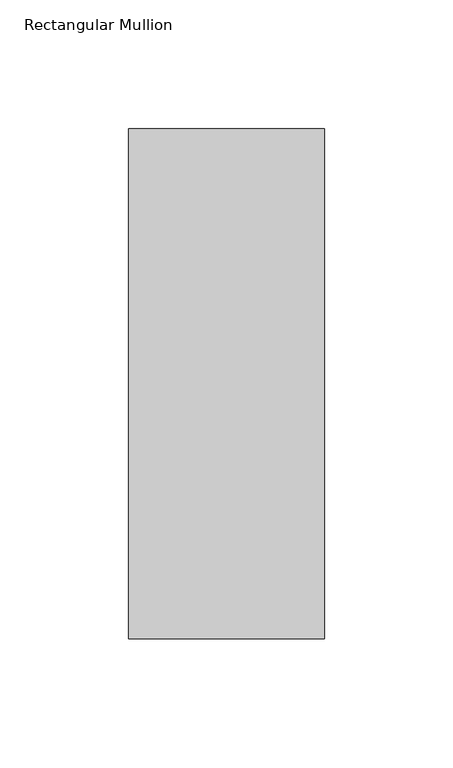
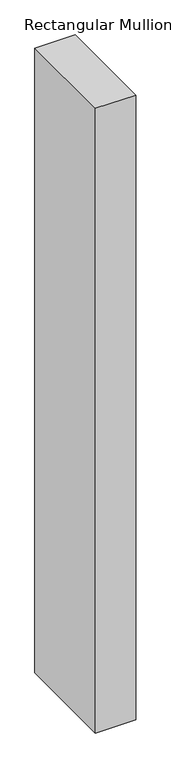
"""IFC4 building model written with IfcOpenShell, lengths in millimetres: member geometry, Rectangular Mullion."""

import ifcopenshell
import ifcopenshell.guid

model = None  # the IFC model being written
_history = None  # IfcOwnerHistory: only IFC2X3 demands one
_inside = {}  # id of a spatial element -> (the spatial element, [elements in it])
_under = {}  # id of a project, library or spatial element -> (it, [spatial elements below it])
_declared = {}  # id of a project -> (the project, [libraries it declares])
_typed = {}  # id of a type object -> (the type object, [elements of that type])
_made_of = {}  # id of a material, layer set ... -> (it, [elements and type objects made of it])


def new_model(schema):
    """Start an empty IFC model of exactly this schema.

    Asked for "IFC4X3", IfcOpenShell would pick the latest addendum, in which some entities
    have other attributes; the version numbers below select the first issue.
    IFC2X3 requires an IfcOwnerHistory on every rooted entity: one is made here for all.
    """
    global model, _history
    if schema == "IFC4X3":
        model = ifcopenshell.file(schema_version=(4, 3, 0, 0))
    else:
        model = ifcopenshell.file(schema=schema)
    _inside.clear()
    _under.clear()
    _declared.clear()
    _typed.clear()
    _made_of.clear()
    _history = None
    if model.schema == "IFC2X3":
        org = make("IfcOrganization", Name="unknown")
        user = make(
            "IfcPersonAndOrganization",
            ThePerson=make("IfcPerson", FamilyName="unknown"),
            TheOrganization=org,
        )
        app = make(
            "IfcApplication",
            ApplicationDeveloper=org,
            Version="unknown",
            ApplicationFullName="unknown",
            ApplicationIdentifier="unknown",
        )
        _history = make(
            "IfcOwnerHistory",
            OwningUser=user,
            OwningApplication=app,
            ChangeAction="ADDED",
            CreationDate=0,
        )
    return model


def make(cls, **values):
    """One entity of the class cls with the attributes given. An attribute that is None is left unset."""
    return model.create_entity(
        cls, **{name: value for name, value in values.items() if value is not None}
    )


def rooted(cls, **values):
    """An entity with a GlobalId (a new one), such as an element, a storey or a relation."""
    return make(cls, GlobalId=ifcopenshell.guid.new(), OwnerHistory=_history, **values)


def si_unit(unit_type, name, prefix=None):
    """IfcSIUnit, for example si_unit("LENGTHUNIT", "METRE", prefix="MILLI")."""
    return make("IfcSIUnit", UnitType=unit_type, Prefix=prefix, Name=name)


def assignment(units):
    """IfcUnitAssignment: the units of a project."""
    return None if units is None else make("IfcUnitAssignment", Units=units)


def point(xyz):
    """IfcCartesianPoint."""
    return None if xyz is None else make("IfcCartesianPoint", Coordinates=xyz)


def direction(xyz):
    """IfcDirection."""
    return None if xyz is None else make("IfcDirection", DirectionRatios=xyz)


def frame(location, z_axis=None, x_axis=None):
    """IfcAxis2Placement3D, a coordinate frame: its origin and axes. An axis left out is left unset."""
    return make(
        "IfcAxis2Placement3D",
        Location=point(location),
        Axis=direction(z_axis),
        RefDirection=direction(x_axis),
    )


def origin():
    """The frame at (0, 0, 0) with its axes left unset."""
    return frame((0.0, 0.0, 0.0))


def place(relative_to, where):
    """IfcLocalPlacement: puts the frame where relative to a parent placement (None: the world)."""
    return make(
        "IfcLocalPlacement", PlacementRelTo=relative_to, RelativePlacement=where
    )


def context(
    kind, dimensions, precision=None, world=None, true_north=None, identifier=None
):
    """IfcGeometricRepresentationContext, for example the 3D "Model" context."""
    return make(
        "IfcGeometricRepresentationContext",
        ContextIdentifier=identifier,
        ContextType=kind,
        CoordinateSpaceDimension=dimensions,
        Precision=precision,
        WorldCoordinateSystem=world,
        TrueNorth=true_north,
    )


def project(units=None, contexts=None):
    """IfcProject with its units and contexts."""
    return rooted(
        "IfcProject",
        Name="project",
        RepresentationContexts=contexts,
        UnitsInContext=assignment(units),
    )


def spatial(cls, under=None, at=None, **own):
    """A site, building, storey or space (cls), placed at a placement, below another one or the project."""
    s = rooted(cls, ObjectPlacement=at, **own)
    if under is not None:
        _under.setdefault(under.id(), (under, []))[1].append(s)
    return s


def polyline(points):
    """IfcPolyline through the points."""
    return make("IfcPolyline", Points=[point(p) for p in points])


def outline(outer, holes=None, kind="AREA"):
    """IfcArbitraryClosedProfileDef: a profile drawn as a closed curve; with holes, ...WithVoids."""
    if holes is None:
        return make("IfcArbitraryClosedProfileDef", ProfileType=kind, OuterCurve=outer)
    return make(
        "IfcArbitraryProfileDefWithVoids",
        ProfileType=kind,
        OuterCurve=outer,
        InnerCurves=holes,
    )


def extrude(swept, where, along, depth):
    """IfcExtrudedAreaSolid: the profile swept, set in the frame where, extruded along a direction by depth."""
    return make(
        "IfcExtrudedAreaSolid",
        SweptArea=swept,
        Position=where,
        ExtrudedDirection=direction(along),
        Depth=depth,
    )


def shape(context_of_items, identifier, shape_type, items):
    """IfcShapeRepresentation: the items that make up one representation, for example the "Body"."""
    return make(
        "IfcShapeRepresentation",
        ContextOfItems=context_of_items,
        RepresentationIdentifier=identifier,
        RepresentationType=shape_type,
        Items=items,
    )


def source(mapping_origin, context_of_items, identifier, shape_type, items):
    """IfcRepresentationMap: a shape defined once, which mapped items show again and again."""
    return make(
        "IfcRepresentationMap",
        MappingOrigin=mapping_origin,
        MappedRepresentation=shape(context_of_items, identifier, shape_type, items),
    )


def transform(
    local_origin,
    x_axis=None,
    y_axis=None,
    z_axis=None,
    scale=None,
    scale2=None,
    scale3=None,
    uniform=True,
):
    """IfcCartesianTransformationOperator3D, or its non-uniform kind. x_axis, y_axis, z_axis: its Axis1, 2, 3."""
    if uniform:
        return make(
            "IfcCartesianTransformationOperator3D",
            Axis1=direction(x_axis),
            Axis2=direction(y_axis),
            LocalOrigin=point(local_origin),
            Scale=scale,
            Axis3=direction(z_axis),
        )
    return make(
        "IfcCartesianTransformationOperator3DnonUniform",
        Axis1=direction(x_axis),
        Axis2=direction(y_axis),
        LocalOrigin=point(local_origin),
        Scale=scale,
        Axis3=direction(z_axis),
        Scale2=scale2,
        Scale3=scale3,
    )


def mapped(mapping_source, mapping_target):
    """IfcMappedItem: shows the shape of a source again, moved by a transform."""
    return make(
        "IfcMappedItem", MappingSource=mapping_source, MappingTarget=mapping_target
    )


def made_of(thing, what):
    """Note that an element or type object is made of a material, layer set ...; save() writes the relation."""
    if what is not None:
        _made_of.setdefault(what.id(), (what, []))[1].append(thing)
    return thing


def element(
    cls,
    number,
    at=None,
    inside=None,
    cuts=None,
    type_object=None,
    material=None,
    context=None,
    identifier="Body",
    shape_type=None,
    held_by="IfcProductDefinitionShape",
    body=None,
    shapes=None,
    **own,
):
    """One element of the class cls, such as IfcWall. Its Tag is "e" and its number.

    at: its placement. inside: the storey or other place that contains it. cuts: it is an
    opening in that element (IfcRelVoidsElement). A single representation is given by context,
    identifier, shape_type and body (its items); several are given by shapes. held_by: the class
    of the entity that holds the representations. save() writes the other relations.
    """
    e = rooted(cls, Tag="e%d" % number, ObjectPlacement=at, **own)
    if body is not None:
        shapes = [shape(context, identifier, shape_type, body)]
    if shapes is not None:
        e.Representation = make(held_by, Representations=shapes)
    if inside is not None:
        _inside.setdefault(inside.id(), (inside, []))[1].append(e)
    if cuts is not None:
        rooted(
            "IfcRelVoidsElement", RelatingBuildingElement=cuts, RelatedOpeningElement=e
        )
    if type_object is not None:
        _typed.setdefault(type_object.id(), (type_object, []))[1].append(e)
    return made_of(e, material)


def aggregate(whole, parts):
    """IfcRelAggregates: a whole, such as a stair, and the parts it consists of."""
    return rooted("IfcRelAggregates", RelatingObject=whole, RelatedObjects=parts)


def save(model, path):
    """Write the relations noted so far, then the file.

    IfcRelAggregates (storeys below a building ...), IfcRelContainedInSpatialStructure (elements
    in a storey), IfcRelDefinesByType, IfcRelAssociatesMaterial and IfcRelDeclares: one each for
    every whole, place, type object, material and project.
    """
    for whole, parts in _under.values():
        aggregate(whole, parts)
    for where, things in _inside.values():
        rooted(
            "IfcRelContainedInSpatialStructure",
            RelatedElements=things,
            RelatingStructure=where,
        )
    for kind, things in _typed.values():
        rooted("IfcRelDefinesByType", RelatedObjects=things, RelatingType=kind)
    for what, things in _made_of.values():
        rooted("IfcRelAssociatesMaterial", RelatedObjects=things, RelatingMaterial=what)
    for by, libraries in _declared.values():
        rooted("IfcRelDeclares", RelatingContext=by, RelatedDefinitions=libraries)
    model.write(path)


def rectangular_mullion_63c673d5(model_context):
    return source(origin(), model_context, "Body", "SweptSolid", [
        extrude(outline(polyline([(38.1, -156.36875), (-38.1, -156.36875), (-38.1, 42.06875), (38.1, 42.06875), (38.1, -156.36875)])), frame((0.0, 0.0, -1250.15625), z_axis=(0.0, 0.0, 1.0), x_axis=(1.0, 0.0, 0.0)), (0.0, 0.0, 1.0), 1250.15625),
    ])


if __name__ == "__main__":
    model = new_model("IFC4")
    model_context = context("Model", 3, world=origin())
    ifc_project = project(units=[si_unit("LENGTHUNIT", "METRE", prefix="MILLI")], contexts=[model_context])
    site = spatial("IfcSite", under=ifc_project)
    building = spatial("IfcBuilding", under=site)
    placement = place(None, origin())
    rectangular_mullion_shape = rectangular_mullion_63c673d5(model_context)
    element("IfcMember", 1, ObjectType="Rectangular Mullion", at=placement, inside=building, context=model_context, shape_type="MappedRepresentation", body=[
        mapped(rectangular_mullion_shape, transform((0.0, 0.0, 0.0), x_axis=(1.0, 0.0, 0.0), y_axis=(0.0, 1.0, 0.0), z_axis=(0.0, 0.0, 1.0))),
    ])
    save(model, "model.ifc")
